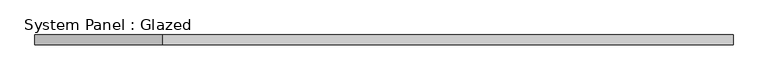
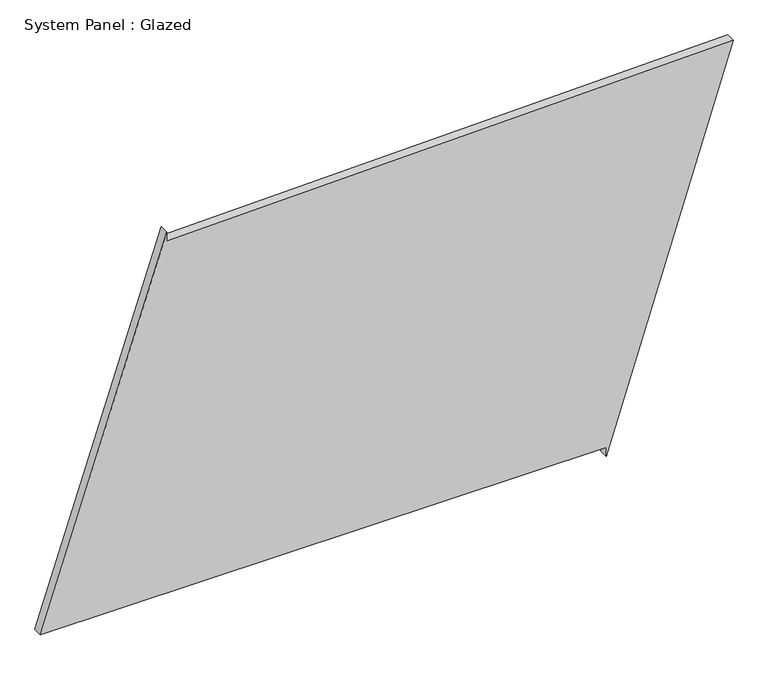
"""IFC4 building model written with IfcOpenShell, lengths in millimetres: plate geometry, System Panel : Glazed."""

from ifc_helpers import new_model, si_unit, frame, origin, place, context, project, spatial, polyline, outline, extrude, source, transform, mapped, element, save


def system_panel_glazed_721fb88a(model_context):
    return source(origin(), model_context, "Body", "SweptSolid", [
        extrude(outline(polyline([(25.0, 574.7549781), (0.0, 574.7549781), (1036.1795918, 906.0783945), (999.1424521, -574.9729667), (1024.1346387, -575.5979546), (25.0, -906.0783945), (25.0, 574.7549781)])), frame((0.0, -49.5, 0.0), z_axis=(0.0, 1.0, 0.0), x_axis=(0.0, 0.0, 1.0)), (0.0, 0.0, 1.0), 25.0),
    ])


if __name__ == "__main__":
    model = new_model("IFC4")
    model_context = context("Model", 3, world=origin())
    ifc_project = project(units=[si_unit("LENGTHUNIT", "METRE", prefix="MILLI")], contexts=[model_context])
    site = spatial("IfcSite", under=ifc_project)
    building = spatial("IfcBuilding", under=site)
    placement = place(None, origin())
    system_panel_glazed_shape = system_panel_glazed_721fb88a(model_context)
    element("IfcPlate", 1, ObjectType="System Panel : Glazed", at=placement, inside=building, context=model_context, shape_type="MappedRepresentation", body=[
        mapped(system_panel_glazed_shape, transform((0.0, 0.0, 0.0), x_axis=(1.0, 0.0, 0.0), y_axis=(0.0, 1.0, 0.0), z_axis=(0.0, 0.0, 1.0))),
    ])
    save(model, "model.ifc")
